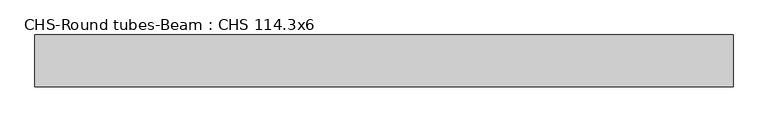
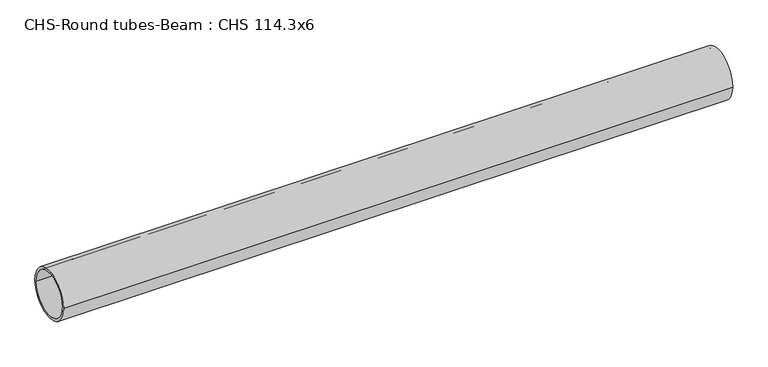
"""IFC4 building model written with IfcOpenShell, lengths in millimetres: beam geometry, CHS-Round tubes-Beam : CHS 114.3x6."""

from ifc_helpers import new_model, si_unit, point, frame, origin, origin_2d, place, context, project, spatial, circle_curve, trimmed, segment, composite_curve, outline, extrude, source, transform, mapped, element, save


def chs_round_tubes_beam_chs_114_3x6_eb57fe0b(model_context):
    return source(origin(), model_context, "Body", "SweptSolid", [
        extrude(outline(composite_curve([segment(trimmed(circle_curve(origin_2d(), 57.15), [point((57.15, 0.0))], [point((-57.15, 0.0))], False, "CARTESIAN"), True, "CONTINUOUS"), segment(trimmed(circle_curve(origin_2d(), 57.15), [point((-57.15, 0.0))], [point((57.15, 0.0))], False, "CARTESIAN"), True, "CONTINUOUS")], self_intersect=False), holes=[composite_curve([segment(trimmed(circle_curve(origin_2d(), 51.15), [point((51.15, 0.0))], [point((-51.15, 0.0))], True, "CARTESIAN"), True, "CONTINUOUS"), segment(trimmed(circle_curve(origin_2d(), 51.15), [point((-51.15, 0.0))], [point((51.15, 0.0))], True, "CARTESIAN"), True, "CONTINUOUS")], self_intersect=False)]), frame((-745.0285431, 0.0, 0.0), z_axis=(1.0, 0.0, 0.0), x_axis=(0.0, 1.0, 0.0)), (0.0, 0.0, 1.0), 1534.733087),
    ])


if __name__ == "__main__":
    model = new_model("IFC4")
    model_context = context("Model", 3, world=origin())
    ifc_project = project(units=[si_unit("LENGTHUNIT", "METRE", prefix="MILLI")], contexts=[model_context])
    site = spatial("IfcSite", under=ifc_project)
    building = spatial("IfcBuilding", under=site)
    placement = place(None, origin())
    chs_round_tubes_beam_chs_114_3x6_shape = chs_round_tubes_beam_chs_114_3x6_eb57fe0b(model_context)
    element("IfcBeam", 1, ObjectType="CHS-Round tubes-Beam : CHS 114.3x6", at=placement, inside=building, context=model_context, shape_type="MappedRepresentation", body=[
        mapped(chs_round_tubes_beam_chs_114_3x6_shape, transform((0.0, 0.0, 0.0), x_axis=(1.0, 0.0, 0.0), y_axis=(0.0, 1.0, 0.0), z_axis=(0.0, 0.0, 1.0))),
    ])
    save(model, "model.ifc")
